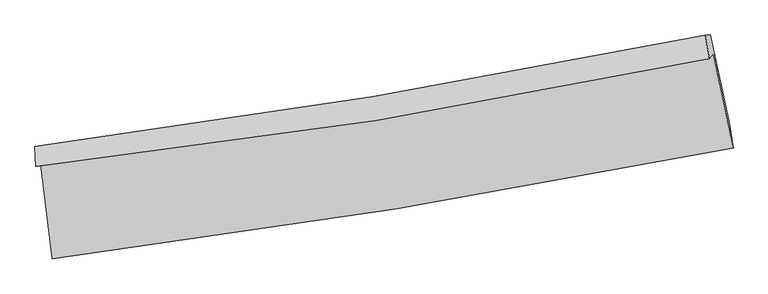
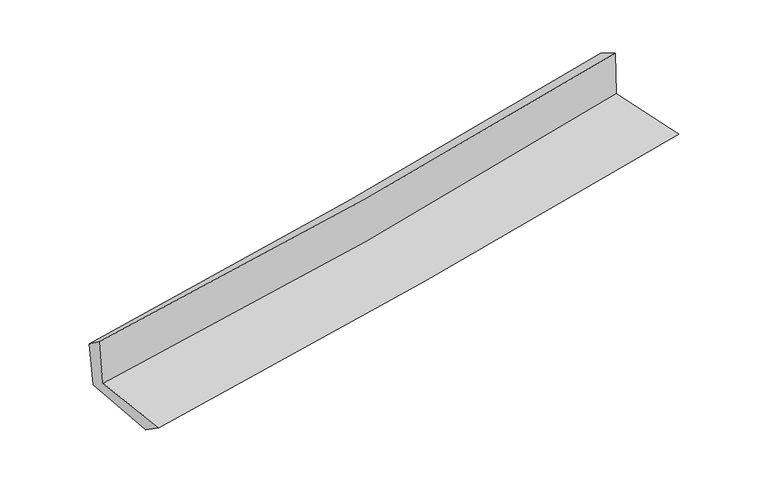
"""IFC4 building model written with IfcOpenShell, lengths in millimetres: proxy geometry."""

from ifc_helpers import new_model, si_unit, frame, origin, place, context, project, spatial, source, transform, mapped, element, save
from ifc_brep_helpers import plane_surface, spline_curve, spline_surface, advanced_brep


def generic_models_ed618f78(model_context):
    return source(origin(), model_context, "Body", "AdvancedBrep", [
        advanced_brep(
        [(-2411.0016321, -1872.2020428, 1669.6390166), (-2330.4857514, -2542.0201009, 1656.5406054), (2484.4936211, -1756.0106911, 2098.0202589), (2344.1991032, -1087.5488759, 2100.6150099), (-2444.9774612, -1887.1337983, 2064.5813346), (2315.354256, -1125.6676122, 2492.651137), (-2452.1372553, -1746.0535859, 1959.0718049), (2289.0325028, -959.5238556, 2402.3106061), (-2418.2671785, -1742.4916908, 1580.1766573), (2324.3022122, -955.6162146, 2018.1806406), (-2339.7694868, -2372.6466037, 1537.4738772), (2457.685101, -1577.8410735, 1986.042381)],
        [
            (0, 1),
            (1, 2, spline_curve(3, [(-2330.4857514, -2542.0201009, 1656.5406054), (-1519.109604204, -2439.138418336, 1736.180461641), (-709.610601931, -2321.683593351, 1813.008497407), (895.334955638, -2059.311175878, 1960.09713064), (1690.829077634, -1914.762864163, 2030.428979677), (2484.4936211, -1756.0106911, 2098.0202589)], [4, 2, 4], [0.0, 8.039955458046721, 15.977391749755311])),
            (2, 3),
            (3, 0, spline_curve(3, [(2344.1991032, -1087.5488759, 2100.6150099), (1563.150018295, -1254.806267006, 2028.214744942), (778.921928611, -1403.522900186, 1956.327083172), (-806.062333159, -1665.555990345, 1812.655091606), (-1606.901155497, -1778.390412475, 1740.884089225), (-2411.0016321, -1872.2020428, 1669.6390166)], [4, 2, 4], [0.0, 7.93743629170859, 15.977391749755311])),
            (4, 0),
            (3, 5),
            (5, 4, spline_curve(3, [(2315.354256, -1125.6676122, 2492.651137), (1532.951446818, -1289.611607622, 2423.1805816), (747.620039856, -1434.753381478, 2353.006258384), (-839.081059919, -1689.064275468, 2210.334621183), (-1640.526891815, -1797.744563763, 2137.819010428), (-2444.9774612, -1887.1337983, 2064.5813346)], [4, 2, 4], [0.0, 7.890118629018124, 15.882145273978482])),
            (6, 4),
            (5, 7),
            (7, 6, spline_curve(3, [(2289.0325028, -959.5238556, 2402.3106061), (1508.611274022, -1118.14413758, 2332.481430352), (725.853418323, -1262.668885936, 2260.878733083), (-854.475751808, -1525.211927304, 2113.178575308), (-1652.107815669, -1642.863755515, 2037.035005334), (-2452.1372553, -1746.0535859, 1959.0718049)], [4, 2, 4], [0.0, 7.879438068332905, 15.860646203509969])),
            (8, 6),
            (7, 9),
            (9, 8, spline_curve(3, [(2324.3022122, -955.6162146, 2018.1806406), (1544.359916086, -1113.989628755, 1940.871015792), (761.727919462, -1258.418595081, 1865.934749295), (-819.058615837, -1521.072957049, 1719.871717338), (-1617.283082532, -1638.935816114, 1648.80665602), (-2418.2671785, -1742.4916908, 1580.1766573)], [4, 2, 4], [0.0, 7.868698140237384, 15.83902763143707])),
            (10, 8),
            (9, 11),
            (11, 10, spline_curve(3, [(2457.685101, -1577.8410735, 1986.042381), (1669.161991763, -1748.4421105, 1914.777779429), (877.696799377, -1899.676502105, 1842.014303527), (-721.378240004, -2165.11518486, 1692.530437474), (-1529.064576867, -2278.815970144, 1615.771078863), (-2339.7694868, -2372.6466037, 1537.4738772)], [4, 2, 4], [0.0, 7.915889024484141, 15.934018912868254])),
            (1, 10),
            (11, 2),
        ],
        [
            spline_surface(3, 3, [[(-2411.0016321, -1872.2020428, 1669.6390166), (-1606.901155609, -1778.390412605, 1740.884089162), (-806.062333279, -1665.555990232, 1812.655091692), (778.92192873, -1403.522900297, 1956.327083087), (1563.150018174, -1254.806267073, 2028.214745015), (2344.1991032, -1087.5488759, 2100.6150099)], [(-2384.163005194, -2095.474728832, 1665.27287951), (-1577.637305111, -1998.639747804, 1739.31621333), (-773.91175619, -1884.265191272, 1812.77289357), (817.726271023, -1622.118992135, 1957.583765648), (1605.709704672, -1474.791799412, 2028.952823224), (2390.963942497, -1310.369480958, 2099.750092886)], [(-2357.324378306, -2318.747414868, 1660.90674249), (-1548.373454632, -2218.889083008, 1737.748337568), (-741.761179046, -2102.974392345, 1812.890695423), (856.53061337, -1840.715084006, 1958.840448184), (1648.269391179, -1694.777331777, 2029.690901475), (2437.728781803, -1533.190086042, 2098.885175914)], [(-2330.4857514, -2542.0201009, 1656.5406054), (-1519.109604135, -2439.138418207, 1736.180461736), (-709.610601956, -2321.683593386, 1813.008497301), (895.334955663, -2059.311175844, 1960.097130745), (1690.829077677, -1914.762864116, 2030.428979685), (2484.4936211, -1756.0106911, 2098.0202589)]], [4, 4], [4, 2, 4], [0.0, 2.180189539743345], [0.0, 8.039955458046721, 15.977391749755311]),
            spline_surface(3, 3, [[(-2444.9774612, -1887.1337983, 2064.5813346), (-1640.526891936, -1797.744563686, 2137.819010426), (-839.081059795, -1689.064275493, 2210.334621217), (747.620039733, -1434.753381454, 2353.00625835), (1532.951446693, -1289.611607662, 2423.180581688), (2315.354256, -1125.6676122, 2492.651137)], [(-2433.652184841, -1882.156546465, 1932.933895291), (-1629.318313168, -1791.293179991, 2005.507370029), (-828.074817625, -1681.22818041, 2077.774778031), (758.05400273, -1424.343221073, 2220.779866584), (1543.017637193, -1278.009827469, 2291.525302808), (2324.969205073, -1112.96136677, 2361.972427977)], [(-2422.326908459, -1877.179294635, 1801.286455909), (-1618.109734377, -1784.841796301, 1873.195729559), (-817.06857545, -1673.392085314, 1945.214934879), (768.487965732, -1413.933060678, 2088.553474853), (1553.083827674, -1266.408047265, 2159.870023896), (2334.584154127, -1100.25512133, 2231.293718923)], [(-2411.0016321, -1872.2020428, 1669.6390166), (-1606.901155609, -1778.390412605, 1740.884089162), (-806.062333279, -1665.555990232, 1812.655091692), (778.92192873, -1403.522900297, 1956.327083087), (1563.150018174, -1254.806267073, 2028.214745015), (2344.1991032, -1087.5488759, 2100.6150099)]], [4, 4], [4, 2, 4], [0.0, 1.3104389978679003], [0.0, 7.992026644960358, 15.882145273978482]),
            spline_surface(3, 3, [[(-2452.1372553, -1746.0535859, 1959.0718049), (-1652.107815601, -1642.863755585, 2037.035005455), (-854.475751877, -1525.211927271, 2113.178575219), (725.853418392, -1262.668885968, 2260.878733171), (1508.611274038, -1118.144137503, 2332.481430444), (2289.0325028, -959.5238556, 2402.3106061)], [(-2449.750657281, -1793.080323388, 1994.24164813), (-1648.247507727, -1694.49069164, 2070.629673776), (-849.34418784, -1579.829376689, 2145.563923885), (733.108958849, -1320.030384474, 2291.58790823), (1516.724664893, -1175.29996088, 2362.714480842), (2297.806420504, -1014.905107791, 2432.424116383)], [(-2447.364059219, -1840.107060812, 2029.41149137), (-1644.38719981, -1746.117627632, 2104.224342105), (-844.212623833, -1634.446826075, 2177.949272552), (740.364499276, -1377.391882948, 2322.297083291), (1524.838055838, -1232.455784284, 2392.94753129), (2306.580338296, -1070.286360009, 2462.537626717)], [(-2444.9774612, -1887.1337983, 2064.5813346), (-1640.526891936, -1797.744563686, 2137.819010426), (-839.081059795, -1689.064275493, 2210.334621217), (747.620039733, -1434.753381454, 2353.00625835), (1532.951446693, -1289.611607662, 2423.180581688), (2315.354256, -1125.6676122, 2492.651137)]], [4, 4], [4, 2, 4], [0.0, 0.6353520127902871], [0.0, 7.981208135177064, 15.860646203509969]),
            spline_surface(3, 3, [[(-2418.2671785, -1742.4916908, 1580.1766573), (-1617.28308249, -1638.935816198, 1648.806656096), (-819.058615705, -1521.072957024, 1719.871717407), (761.727919331, -1258.418595106, 1865.934749227), (1544.35991611, -1113.989628858, 1940.871015705), (2324.3022122, -955.6162146, 2018.1806406)], [(-2429.557204094, -1743.67898917, 1706.475039821), (-1628.891326855, -1640.24512933, 1778.21610587), (-830.864327742, -1522.45261378, 1850.974003372), (749.769752371, -1259.835358734, 1997.582743902), (1532.443702088, -1115.374465072, 2071.407820631), (2312.545642403, -956.918761599, 2146.223962447)], [(-2440.847229706, -1744.86628753, 1832.773422379), (-1640.499571236, -1641.554442452, 1907.625555682), (-842.67003984, -1523.832270515, 1982.076289254), (737.811585352, -1261.25212234, 2129.230738495), (1520.52748806, -1116.759301289, 2201.944625517), (2300.789072597, -958.221308601, 2274.267284253)], [(-2452.1372553, -1746.0535859, 1959.0718049), (-1652.107815601, -1642.863755585, 2037.035005455), (-854.475751877, -1525.211927271, 2113.178575219), (725.853418392, -1262.668885968, 2260.878733171), (1508.611274038, -1118.144137503, 2332.481430444), (2289.0325028, -959.5238556, 2402.3106061)]], [4, 4], [4, 2, 4], [0.0, 1.2983762083686554], [0.0, 7.970329491199686, 15.83902763143707]),
            spline_surface(3, 3, [[(-2339.7694868, -2372.6466037, 1537.4738772), (-1529.064576739, -2278.815970231, 1615.77107892), (-721.378239888, -2165.115184959, 1692.530437544), (877.696799262, -1899.676502007, 1842.014303458), (1669.16199166, -1748.442110521, 1914.777779449), (2457.685101, -1577.8410735, 1986.042381)], [(-2365.935384022, -2162.594966061, 1551.708137247), (-1558.470745311, -2065.522585547, 1626.782937992), (-753.938365183, -1950.434442309, 1701.644197469), (839.040505929, -1685.923866368, 1849.987785352), (1627.561299814, -1536.957949959, 1923.475524877), (2413.22413807, -1370.432787193, 1996.75513421)], [(-2392.101281278, -1952.543328439, 1565.942397253), (-1587.876913918, -1852.229200881, 1637.794797024), (-786.49849041, -1735.753699674, 1710.757957482), (800.384212664, -1472.171230745, 1857.961267333), (1585.960607956, -1325.47378942, 1932.173270276), (2368.76317513, -1163.024500907, 2007.46788739)], [(-2418.2671785, -1742.4916908, 1580.1766573), (-1617.28308249, -1638.935816198, 1648.806656096), (-819.058615705, -1521.072957024, 1719.871717407), (761.727919331, -1258.418595106, 1865.934749227), (1544.35991611, -1113.989628858, 1940.871015705), (2324.3022122, -955.6162146, 2018.1806406)]], [4, 4], [4, 2, 4], [0.0, 2.139011319321058], [0.0, 8.018129888384113, 15.934018912868254]),
            spline_surface(3, 3, [[(-2330.4857514, -2542.0201009, 1656.5406054), (-1519.109604135, -2439.138418207, 1736.180461736), (-709.610601956, -2321.683593386, 1813.008497301), (895.334955663, -2059.311175844, 1960.097130745), (1690.829077677, -1914.762864116, 2030.428979685), (2484.4936211, -1756.0106911, 2098.0202589)], [(-2333.580329869, -2485.562268485, 1616.851696001), (-1522.427928338, -2385.6976022, 1696.044000798), (-713.533147922, -2269.494123904, 1772.849144054), (889.455570208, -2006.099617892, 1920.736188321), (1683.606715691, -1859.32261294, 1991.878579602), (2475.557447753, -1696.620818589, 2060.694299596)], [(-2336.674908331, -2429.104436115, 1577.162786599), (-1525.746252535, -2332.256786238, 1655.907539857), (-717.455693923, -2217.304654441, 1732.689790791), (883.576184717, -1952.888059959, 1881.375245882), (1676.384353646, -1803.882361697, 1953.328179531), (2466.621274347, -1637.230946011, 2023.368340304)], [(-2339.7694868, -2372.6466037, 1537.4738772), (-1529.064576739, -2278.815970231, 1615.77107892), (-721.378239888, -2165.115184959, 1692.530437544), (877.696799262, -1899.676502007, 1842.014303458), (1669.16199166, -1748.442110521, 1914.777779449), (2457.685101, -1577.8410735, 1986.042381)]], [4, 4], [4, 2, 4], [0.0, 0.651530590923656], [0.0, 8.077035349230359, 16.051078718616107]),
            plane_surface(frame((2369.1777994, -1243.7013871, 2182.9700056), z_axis=(0.9746377743178403, 0.20419827042449212, 0.09156568805187325), x_axis=(-0.09142783805228871, -0.010129575049422792, 0.9957601830452967))),
            plane_surface(frame((-2399.4397942, -2027.0913037, 1744.5805493), z_axis=(-0.9890726577755183, -0.11714156792435626, -0.08951609187791808), x_axis=(-0.11932396174208579, 0.9926655912392457, 0.019411752208703628))),
        ],
        [
            (0, [[1, 2, 3, 4]]),
            (1, [[5, -4, 6, 7]]),
            (2, [[8, -7, 9, 10]]),
            (3, [[11, -10, 12, 13]]),
            (4, [[14, -13, 15, 16]]),
            (5, [[17, -16, 18, -2]]),
            (6, [[-12, -9, -6, -3, -18, -15]]),
            (7, [[-1, -5, -8, -11, -14, -17]]),
        ],
    ),
    ])


if __name__ == "__main__":
    model = new_model("IFC4")
    model_context = context("Model", 3, world=origin())
    ifc_project = project(units=[si_unit("LENGTHUNIT", "METRE", prefix="MILLI")], contexts=[model_context])
    site = spatial("IfcSite", under=ifc_project)
    building = spatial("IfcBuilding", under=site)
    placement = place(None, origin())
    generic_models_shape = generic_models_ed618f78(model_context)
    element("IfcBuildingElementProxy", 1, Name="Generic Models", at=placement, inside=building, context=model_context, shape_type="MappedRepresentation", body=[
        mapped(generic_models_shape, transform((0.0, 0.0, 0.0), x_axis=(1.0, 0.0, 0.0), y_axis=(0.0, 1.0, 0.0), z_axis=(0.0, 0.0, 1.0))),
    ])
    save(model, "model.ifc")
